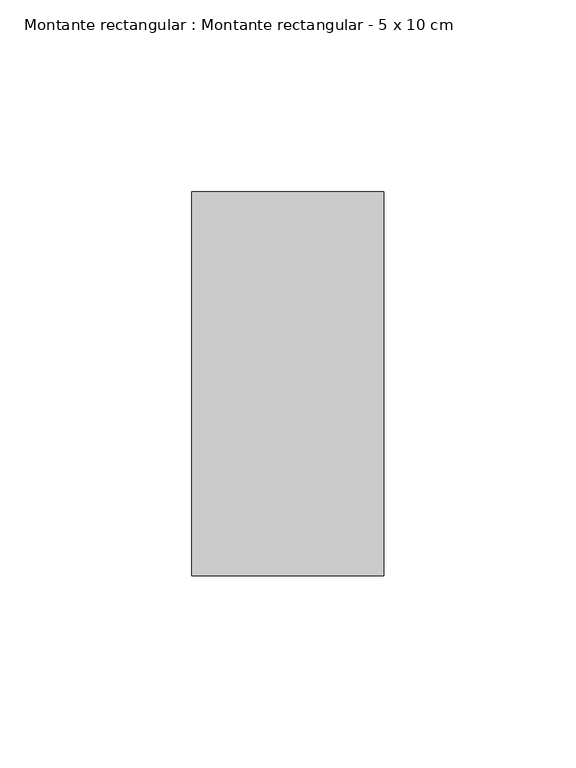
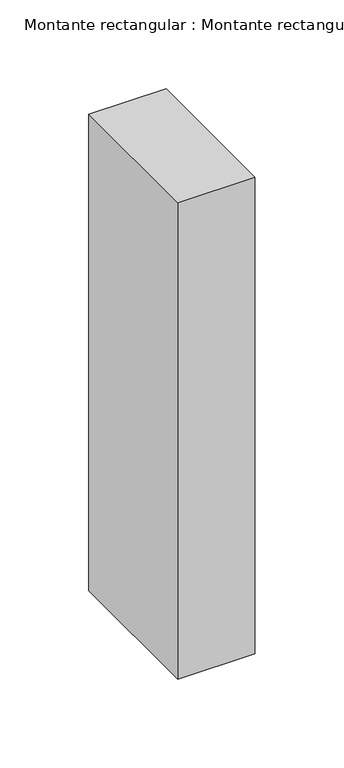
"""IFC4 building model written with IfcOpenShell, lengths in millimetres: member geometry, Montante rectangular : Montante rectangular - 5 x 10 cm."""

import ifcopenshell
import ifcopenshell.guid

model = None  # the IFC model being written
_history = None  # IfcOwnerHistory: only IFC2X3 demands one
_inside = {}  # id of a spatial element -> (the spatial element, [elements in it])
_under = {}  # id of a project, library or spatial element -> (it, [spatial elements below it])
_declared = {}  # id of a project -> (the project, [libraries it declares])
_typed = {}  # id of a type object -> (the type object, [elements of that type])
_made_of = {}  # id of a material, layer set ... -> (it, [elements and type objects made of it])


def new_model(schema):
    """Start an empty IFC model of exactly this schema.

    Asked for "IFC4X3", IfcOpenShell would pick the latest addendum, in which some entities
    have other attributes; the version numbers below select the first issue.
    IFC2X3 requires an IfcOwnerHistory on every rooted entity: one is made here for all.
    """
    global model, _history
    if schema == "IFC4X3":
        model = ifcopenshell.file(schema_version=(4, 3, 0, 0))
    else:
        model = ifcopenshell.file(schema=schema)
    _inside.clear()
    _under.clear()
    _declared.clear()
    _typed.clear()
    _made_of.clear()
    _history = None
    if model.schema == "IFC2X3":
        org = make("IfcOrganization", Name="unknown")
        user = make(
            "IfcPersonAndOrganization",
            ThePerson=make("IfcPerson", FamilyName="unknown"),
            TheOrganization=org,
        )
        app = make(
            "IfcApplication",
            ApplicationDeveloper=org,
            Version="unknown",
            ApplicationFullName="unknown",
            ApplicationIdentifier="unknown",
        )
        _history = make(
            "IfcOwnerHistory",
            OwningUser=user,
            OwningApplication=app,
            ChangeAction="ADDED",
            CreationDate=0,
        )
    return model


def make(cls, **values):
    """One entity of the class cls with the attributes given. An attribute that is None is left unset."""
    return model.create_entity(
        cls, **{name: value for name, value in values.items() if value is not None}
    )


def rooted(cls, **values):
    """An entity with a GlobalId (a new one), such as an element, a storey or a relation."""
    return make(cls, GlobalId=ifcopenshell.guid.new(), OwnerHistory=_history, **values)


def si_unit(unit_type, name, prefix=None):
    """IfcSIUnit, for example si_unit("LENGTHUNIT", "METRE", prefix="MILLI")."""
    return make("IfcSIUnit", UnitType=unit_type, Prefix=prefix, Name=name)


def assignment(units):
    """IfcUnitAssignment: the units of a project."""
    return None if units is None else make("IfcUnitAssignment", Units=units)


def point(xyz):
    """IfcCartesianPoint."""
    return None if xyz is None else make("IfcCartesianPoint", Coordinates=xyz)


def direction(xyz):
    """IfcDirection."""
    return None if xyz is None else make("IfcDirection", DirectionRatios=xyz)


def frame(location, z_axis=None, x_axis=None):
    """IfcAxis2Placement3D, a coordinate frame: its origin and axes. An axis left out is left unset."""
    return make(
        "IfcAxis2Placement3D",
        Location=point(location),
        Axis=direction(z_axis),
        RefDirection=direction(x_axis),
    )


def origin():
    """The frame at (0, 0, 0) with its axes left unset."""
    return frame((0.0, 0.0, 0.0))


def place(relative_to, where):
    """IfcLocalPlacement: puts the frame where relative to a parent placement (None: the world)."""
    return make(
        "IfcLocalPlacement", PlacementRelTo=relative_to, RelativePlacement=where
    )


def context(
    kind, dimensions, precision=None, world=None, true_north=None, identifier=None
):
    """IfcGeometricRepresentationContext, for example the 3D "Model" context."""
    return make(
        "IfcGeometricRepresentationContext",
        ContextIdentifier=identifier,
        ContextType=kind,
        CoordinateSpaceDimension=dimensions,
        Precision=precision,
        WorldCoordinateSystem=world,
        TrueNorth=true_north,
    )


def project(units=None, contexts=None):
    """IfcProject with its units and contexts."""
    return rooted(
        "IfcProject",
        Name="project",
        RepresentationContexts=contexts,
        UnitsInContext=assignment(units),
    )


def spatial(cls, under=None, at=None, **own):
    """A site, building, storey or space (cls), placed at a placement, below another one or the project."""
    s = rooted(cls, ObjectPlacement=at, **own)
    if under is not None:
        _under.setdefault(under.id(), (under, []))[1].append(s)
    return s


def polyline(points):
    """IfcPolyline through the points."""
    return make("IfcPolyline", Points=[point(p) for p in points])


def outline(outer, holes=None, kind="AREA"):
    """IfcArbitraryClosedProfileDef: a profile drawn as a closed curve; with holes, ...WithVoids."""
    if holes is None:
        return make("IfcArbitraryClosedProfileDef", ProfileType=kind, OuterCurve=outer)
    return make(
        "IfcArbitraryProfileDefWithVoids",
        ProfileType=kind,
        OuterCurve=outer,
        InnerCurves=holes,
    )


def extrude(swept, where, along, depth):
    """IfcExtrudedAreaSolid: the profile swept, set in the frame where, extruded along a direction by depth."""
    return make(
        "IfcExtrudedAreaSolid",
        SweptArea=swept,
        Position=where,
        ExtrudedDirection=direction(along),
        Depth=depth,
    )


def shape(context_of_items, identifier, shape_type, items):
    """IfcShapeRepresentation: the items that make up one representation, for example the "Body"."""
    return make(
        "IfcShapeRepresentation",
        ContextOfItems=context_of_items,
        RepresentationIdentifier=identifier,
        RepresentationType=shape_type,
        Items=items,
    )


def source(mapping_origin, context_of_items, identifier, shape_type, items):
    """IfcRepresentationMap: a shape defined once, which mapped items show again and again."""
    return make(
        "IfcRepresentationMap",
        MappingOrigin=mapping_origin,
        MappedRepresentation=shape(context_of_items, identifier, shape_type, items),
    )


def transform(
    local_origin,
    x_axis=None,
    y_axis=None,
    z_axis=None,
    scale=None,
    scale2=None,
    scale3=None,
    uniform=True,
):
    """IfcCartesianTransformationOperator3D, or its non-uniform kind. x_axis, y_axis, z_axis: its Axis1, 2, 3."""
    if uniform:
        return make(
            "IfcCartesianTransformationOperator3D",
            Axis1=direction(x_axis),
            Axis2=direction(y_axis),
            LocalOrigin=point(local_origin),
            Scale=scale,
            Axis3=direction(z_axis),
        )
    return make(
        "IfcCartesianTransformationOperator3DnonUniform",
        Axis1=direction(x_axis),
        Axis2=direction(y_axis),
        LocalOrigin=point(local_origin),
        Scale=scale,
        Axis3=direction(z_axis),
        Scale2=scale2,
        Scale3=scale3,
    )


def mapped(mapping_source, mapping_target):
    """IfcMappedItem: shows the shape of a source again, moved by a transform."""
    return make(
        "IfcMappedItem", MappingSource=mapping_source, MappingTarget=mapping_target
    )


def made_of(thing, what):
    """Note that an element or type object is made of a material, layer set ...; save() writes the relation."""
    if what is not None:
        _made_of.setdefault(what.id(), (what, []))[1].append(thing)
    return thing


def element(
    cls,
    number,
    at=None,
    inside=None,
    cuts=None,
    type_object=None,
    material=None,
    context=None,
    identifier="Body",
    shape_type=None,
    held_by="IfcProductDefinitionShape",
    body=None,
    shapes=None,
    **own,
):
    """One element of the class cls, such as IfcWall. Its Tag is "e" and its number.

    at: its placement. inside: the storey or other place that contains it. cuts: it is an
    opening in that element (IfcRelVoidsElement). A single representation is given by context,
    identifier, shape_type and body (its items); several are given by shapes. held_by: the class
    of the entity that holds the representations. save() writes the other relations.
    """
    e = rooted(cls, Tag="e%d" % number, ObjectPlacement=at, **own)
    if body is not None:
        shapes = [shape(context, identifier, shape_type, body)]
    if shapes is not None:
        e.Representation = make(held_by, Representations=shapes)
    if inside is not None:
        _inside.setdefault(inside.id(), (inside, []))[1].append(e)
    if cuts is not None:
        rooted(
            "IfcRelVoidsElement", RelatingBuildingElement=cuts, RelatedOpeningElement=e
        )
    if type_object is not None:
        _typed.setdefault(type_object.id(), (type_object, []))[1].append(e)
    return made_of(e, material)


def aggregate(whole, parts):
    """IfcRelAggregates: a whole, such as a stair, and the parts it consists of."""
    return rooted("IfcRelAggregates", RelatingObject=whole, RelatedObjects=parts)


def save(model, path):
    """Write the relations noted so far, then the file.

    IfcRelAggregates (storeys below a building ...), IfcRelContainedInSpatialStructure (elements
    in a storey), IfcRelDefinesByType, IfcRelAssociatesMaterial and IfcRelDeclares: one each for
    every whole, place, type object, material and project.
    """
    for whole, parts in _under.values():
        aggregate(whole, parts)
    for where, things in _inside.values():
        rooted(
            "IfcRelContainedInSpatialStructure",
            RelatedElements=things,
            RelatingStructure=where,
        )
    for kind, things in _typed.values():
        rooted("IfcRelDefinesByType", RelatedObjects=things, RelatingType=kind)
    for what, things in _made_of.values():
        rooted("IfcRelAssociatesMaterial", RelatedObjects=things, RelatingMaterial=what)
    for by, libraries in _declared.values():
        rooted("IfcRelDeclares", RelatingContext=by, RelatedDefinitions=libraries)
    model.write(path)


def montante_rectangular_montante_rectangular_5_x_10_cm_627a7c46(model_context):
    return source(origin(), model_context, "Body", "SweptSolid", [
        extrude(outline(polyline([(-50.0, 50.0), (0.0, 50.0), (0.0, -50.0), (-50.0, -50.0), (-50.0, 50.0)])), frame((0.0, 0.0, -326.6666667), z_axis=(0.0, 0.0, 1.0), x_axis=(1.0, 0.0, 0.0)), (0.0, 0.0, 1.0), 326.6666667),
    ])


if __name__ == "__main__":
    model = new_model("IFC4")
    model_context = context("Model", 3, world=origin())
    ifc_project = project(units=[si_unit("LENGTHUNIT", "METRE", prefix="MILLI")], contexts=[model_context])
    site = spatial("IfcSite", under=ifc_project)
    building = spatial("IfcBuilding", under=site)
    placement = place(None, origin())
    montante_rectangular_montante_rectangular_5_x_10_cm_shape = montante_rectangular_montante_rectangular_5_x_10_cm_627a7c46(model_context)
    element("IfcMember", 1, ObjectType="Montante rectangular : Montante rectangular - 5 x 10 cm", at=placement, inside=building, context=model_context, shape_type="MappedRepresentation", body=[
        mapped(montante_rectangular_montante_rectangular_5_x_10_cm_shape, transform((0.0, 0.0, 0.0), x_axis=(1.0, 0.0, 0.0), y_axis=(0.0, 1.0, 0.0), z_axis=(0.0, 0.0, 1.0))),
    ])
    save(model, "model.ifc")
